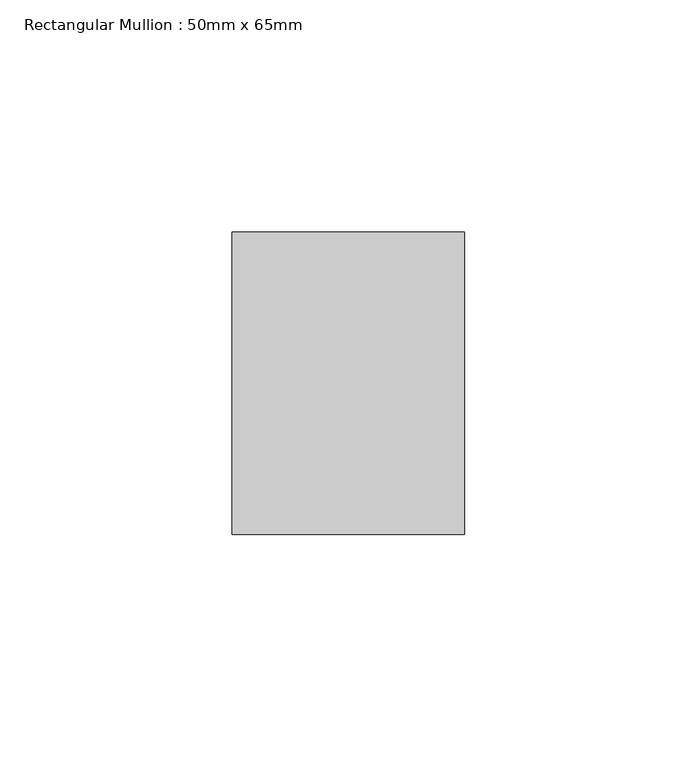
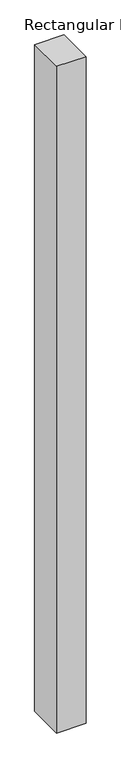
"""IFC4 building model written with IfcOpenShell, lengths in millimetres: member geometry, Rectangular Mullion : 50mm x 65mm."""

from ifc_helpers import new_model, si_unit, frame, origin, place, context, project, spatial, polyline, outline, extrude, source, transform, mapped, element, save


def rectangular_mullion_50mm_x_65mm_a04fdee0(model_context):
    return source(origin(), model_context, "Body", "SweptSolid", [
        extrude(outline(polyline([(25.0, 32.5), (25.0, -32.5), (-25.0, -32.5), (-25.0, 32.5), (25.0, 32.5)])), frame((0.0, 0.0, -1205.1795277), z_axis=(0.0, 0.0, 1.0), x_axis=(1.0, 0.0, 0.0)), (0.0, 0.0, 1.0), 1205.1795277),
    ])


if __name__ == "__main__":
    model = new_model("IFC4")
    model_context = context("Model", 3, world=origin())
    ifc_project = project(units=[si_unit("LENGTHUNIT", "METRE", prefix="MILLI")], contexts=[model_context])
    site = spatial("IfcSite", under=ifc_project)
    building = spatial("IfcBuilding", under=site)
    placement = place(None, origin())
    rectangular_mullion_50mm_x_65mm_shape = rectangular_mullion_50mm_x_65mm_a04fdee0(model_context)
    element("IfcMember", 1, ObjectType="Rectangular Mullion : 50mm x 65mm", at=placement, inside=building, context=model_context, shape_type="MappedRepresentation", body=[
        mapped(rectangular_mullion_50mm_x_65mm_shape, transform((0.0, 0.0, 0.0), x_axis=(1.0, 0.0, 0.0), y_axis=(0.0, 1.0, 0.0), z_axis=(0.0, 0.0, 1.0))),
    ])
    save(model, "model.ifc")
